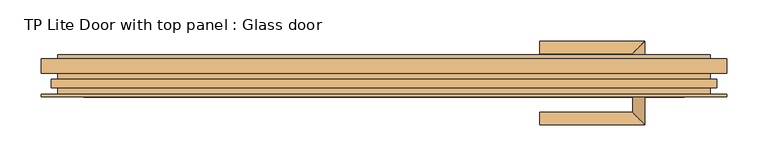
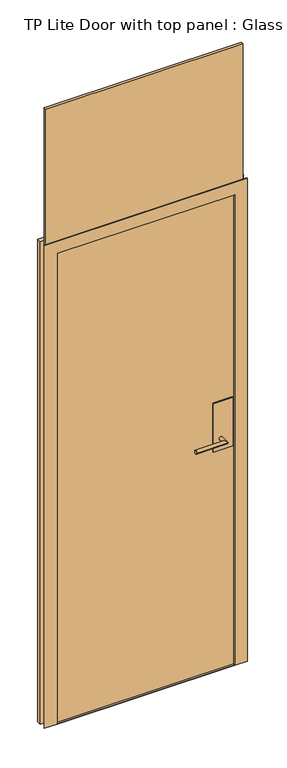
"""IFC4 building model written with IfcOpenShell, lengths in millimetres: door geometry, TP Lite Door with top panel : Glass door."""

from ifc_helpers import new_model, si_unit, frame, origin, origin_with_axes, place, context, project, spatial, polyline, circle_curve, ellipse_curve, outline, extrude, faceted_brep, source, transform, mapped, element, save
from ifc_brep_helpers import plane_surface, cylinder_surface, advanced_brep


def tp_lite_door_with_top_panel_glass_door_5b49f2d1(model_context):
    return source(origin(), model_context, "Body", "SolidModel", [
        advanced_brep(
        [(317.0000004, -12.0, 1000.0), (302.0000004, -12.0, 1000.0), (302.0000004, -34.5, 1000.0), (317.0000004, -49.5, 1000.0), (189.5000004, -49.5, 1000.0), (189.5000004, -34.5, 1000.0)],
        [
            (0, 1, circle_curve(frame((309.5000004, -12.0, 1000.0), z_axis=(0.0, 1.0, 0.0), x_axis=(-1.0, 0.0, 0.0)), 7.5)),
            (1, 0, circle_curve(frame((309.5000004, -12.0, 1000.0), z_axis=(0.0, 1.0, 0.0), x_axis=(-1.0, 0.0, 0.0)), 7.5)),
            (1, 2),
            (2, 3, ellipse_curve(frame((309.5000004, -42.0, 1000.0), z_axis=(0.7071067811865475, 0.7071067811865475, 0.0), x_axis=(-0.7071067811865474, 0.7071067811865476, 0.0)), 10.6066017, 7.5)),
            (3, 0),
            (3, 2, ellipse_curve(frame((309.5000004, -42.0, 1000.0), z_axis=(0.7071067811865475, 0.7071067811865475, 0.0), x_axis=(-0.7071067811865474, 0.7071067811865476, 0.0)), 10.6066017, 7.5)),
            (4, 5, circle_curve(frame((189.5000004, -42.0, 1000.0), z_axis=(-1.0, 0.0, 0.0), x_axis=(0.0, 1.0, 0.0)), 7.5)),
            (5, 4, circle_curve(frame((189.5000004, -42.0, 1000.0), z_axis=(-1.0, 0.0, 0.0), x_axis=(0.0, 1.0, 0.0)), 7.5)),
            (2, 5),
            (4, 3),
        ],
        [
            plane_surface(frame((309.5000004, -12.0, 1000.0), z_axis=(0.0, 1.0, 0.0), x_axis=(0.0, 0.0, 1.0))),
            cylinder_surface(frame((309.5000004, -12.0, 1000.0), z_axis=(0.0, 1.0, 0.0), x_axis=(-1.0, 0.0, 0.0)), 7.5),
            plane_surface(frame((189.5000004, -42.0, 1000.0), z_axis=(-1.0, 0.0, 0.0), x_axis=(0.0, 0.0, 1.0))),
            cylinder_surface(frame((309.5000004, -42.0, 1000.0), z_axis=(1.0, 0.0, 0.0), x_axis=(0.0, 1.0, 0.0)), 7.5),
        ],
        [
            (0, [[1, 2]]),
            (1, [[3, 4, 5, -2]]),
            (1, [[-5, 6, -3, -1]]),
            (2, [[7, 8]]),
            (3, [[9, -7, 10, -4]]),
            (3, [[-10, -8, -9, -6]]),
        ],
    ),
        advanced_brep(
        [(302.0000004, 14.0, 1000.0), (317.0000004, 14.0, 1000.0), (317.0000004, 51.5, 1000.0), (302.0000004, 36.5, 1000.0), (189.5000004, 36.5, 1000.0), (189.5000004, 51.5, 1000.0)],
        [
            (0, 1, circle_curve(frame((309.5000004, 14.0, 1000.0), z_axis=(0.0, -1.0, 0.0), x_axis=(1.0, 0.0, 0.0)), 7.5)),
            (1, 0, circle_curve(frame((309.5000004, 14.0, 1000.0), z_axis=(0.0, -1.0, 0.0), x_axis=(1.0, 0.0, 0.0)), 7.5)),
            (1, 2),
            (2, 3, ellipse_curve(frame((309.5000004, 44.0, 1000.0), z_axis=(0.7071067811865475, -0.7071067811865475, 0.0), x_axis=(-0.7071067811865474, -0.7071067811865476, 0.0)), 10.6066017, 7.5)),
            (3, 0),
            (3, 2, ellipse_curve(frame((309.5000004, 44.0, 1000.0), z_axis=(0.7071067811865475, -0.7071067811865475, 0.0), x_axis=(-0.7071067811865474, -0.7071067811865476, 0.0)), 10.6066017, 7.5)),
            (4, 5, circle_curve(frame((189.5000004, 44.0, 1000.0), z_axis=(-1.0, 0.0, 0.0), x_axis=(0.0, 1.0, 0.0)), 7.5)),
            (5, 4, circle_curve(frame((189.5000004, 44.0, 1000.0), z_axis=(-1.0, 0.0, 0.0), x_axis=(0.0, 1.0, 0.0)), 7.5)),
            (2, 5),
            (4, 3),
        ],
        [
            plane_surface(frame((309.5000004, 14.0, 1000.0), z_axis=(0.0, -1.0, 0.0), x_axis=(0.0, 0.0, 1.0))),
            cylinder_surface(frame((309.5000004, 14.0, 1000.0), z_axis=(0.0, -1.0, 0.0), x_axis=(1.0, 0.0, 0.0)), 7.5),
            plane_surface(frame((189.5000004, 44.0, 1000.0), z_axis=(-1.0, 0.0, 0.0), x_axis=(0.0, 0.0, 1.0))),
            cylinder_surface(frame((309.5000004, 44.0, 1000.0), z_axis=(1.0, 0.0, 0.0), x_axis=(0.0, 1.0, 0.0)), 7.5),
        ],
        [
            (0, [[1, 2]]),
            (1, [[3, 4, 5, -2]]),
            (1, [[-5, 6, -3, -1]]),
            (2, [[7, 8]]),
            (3, [[9, -7, 10, -4]]),
            (3, [[-10, -8, -9, -6]]),
        ],
    ),
        extrude(outline(polyline([(359.5000004, -12.0), (279.5000004, -12.0), (279.5000004, 14.0), (359.5000004, 14.0), (359.5000004, -12.0)])), frame((0.0, 0.0, 950.0), z_axis=(0.0, 0.0, 1.0), x_axis=(1.0, 0.0, 0.0)), (0.0, 0.0, 1.0), 210.0),
        faceted_brep([(-364.5000004, -16.0, 0.0), (-416.5000004, -16.0, 0.0), (-416.5000004, -13.0, 0.0), (-396.5000004, -13.0, 0.0), (-396.5000004, 12.5, 0.0), (-416.5000004, 12.5, 0.0), (-416.5000004, 30.0, 0.0), (-396.5000004, 30.0, 0.0), (-396.5000004, 35.0, 0.0), (-376.5000004, 35.0, 0.0), (-376.5000004, -9.0, 0.0), (-364.5000004, -9.0, 0.0), (-364.5000004, -9.0, 2038.0), (-364.5000004, -16.0, 2038.0), (-396.5000004, -13.0, 2070.0), (-396.5000004, 12.5, 2070.0), (-396.5000004, 30.0, 2070.0), (-396.5000004, 35.0, 2070.0), (-376.5000004, 35.0, 2050.0), (-376.5000004, -9.0, 2050.0), (364.5000004, -16.0, 0.0), (364.5000004, -9.0, 0.0), (376.5000004, -9.0, 0.0), (376.5000004, 35.0, 0.0), (396.5000004, 35.0, 0.0), (396.5000004, 30.0, 0.0), (416.5000004, 30.0, 0.0), (416.5000004, 12.5, 0.0), (396.5000004, 12.5, 0.0), (396.5000004, -13.0, 0.0), (416.5000004, -13.0, 0.0), (416.5000004, -16.0, 0.0), (364.5000004, -16.0, 2038.0), (364.5000004, -9.0, 2038.0), (376.5000004, -9.0, 2050.0), (376.5000004, 35.0, 2050.0), (396.5000004, 35.0, 2070.0), (396.5000004, 30.0, 2070.0), (-416.5000004, 30.0, 2090.0), (416.5000004, 30.0, 2090.0), (416.5000004, 12.5, 2090.0), (-416.5000004, 12.5, 2090.0), (396.5000004, 12.5, 2070.0), (396.5000004, -13.0, 2070.0), (-416.5000004, -13.0, 2090.0), (416.5000004, -13.0, 2090.0), (416.5000004, -16.0, 2090.0), (-416.5000004, -16.0, 2090.0)], [[[0, 1, 2, 3, 4, 5, 6, 7, 8, 9, 10, 11]], [[12, 13, 0, 11]], [[14, 15, 4, 3]], [[16, 17, 8, 7]], [[18, 19, 10, 9]], [[20, 21, 22, 23, 24, 25, 26, 27, 28, 29, 30, 31]], [[21, 20, 32, 33]], [[22, 21, 33, 12, 11, 10, 19, 34]], [[23, 22, 34, 35]], [[24, 23, 35, 18, 9, 8, 17, 36]], [[25, 24, 36, 37]], [[26, 25, 37, 16, 7, 6, 38, 39]], [[27, 26, 39, 40]], [[28, 27, 40, 41, 5, 4, 15, 42]], [[29, 28, 42, 43]], [[30, 29, 43, 14, 3, 2, 44, 45]], [[31, 30, 45, 46]], [[20, 31, 46, 47, 1, 0, 13, 32]], [[47, 44, 2, 1]], [[41, 38, 6, 5]], [[33, 32, 13, 12]], [[35, 34, 19, 18]], [[37, 36, 17, 16]], [[40, 39, 38, 41]], [[43, 42, 15, 14]], [[46, 45, 44, 47]]]),
        extrude(outline(polyline([(-369.5000004, -8.0), (-369.5000004, 12.0), (369.5000004, 12.0), (369.5000004, -8.0), (-369.5000004, -8.0)])), origin_with_axes(), (0.0, 0.0, 1.0), 2050.0),
        extrude(outline(polyline([(-404.5000004, -5.0), (-404.5000004, 5.0), (404.5000004, 5.0), (404.5000004, -5.0), (-404.5000004, -5.0)])), frame((0.0, 0.0, 2078.0), z_axis=(0.0, 0.0, 1.0), x_axis=(1.0, 0.0, 0.0)), (0.0, 0.0, 1.0), 592.0000007),
        extrude(outline(polyline([(376.5000004, 35.0), (376.5000004, -9.0), (364.5000004, -9.0), (364.5000004, -16.0), (-364.5000004, -16.0), (-364.5000004, -9.0), (-376.5000004, -9.0), (-376.5000004, 35.0), (376.5000004, 35.0)])), origin_with_axes(), (0.0, 0.0, 1.0), 2.0),
    ])


if __name__ == "__main__":
    model = new_model("IFC4")
    model_context = context("Model", 3, world=origin())
    ifc_project = project(units=[si_unit("LENGTHUNIT", "METRE", prefix="MILLI")], contexts=[model_context])
    site = spatial("IfcSite", under=ifc_project)
    building = spatial("IfcBuilding", under=site)
    placement = place(None, origin())
    tp_lite_door_with_top_panel_glass_door_shape = tp_lite_door_with_top_panel_glass_door_5b49f2d1(model_context)
    element("IfcDoor", 1, ObjectType="TP Lite Door with top panel : Glass door", at=placement, inside=building, context=model_context, shape_type="MappedRepresentation", body=[
        mapped(tp_lite_door_with_top_panel_glass_door_shape, transform((0.0, 0.0, 0.0), x_axis=(1.0, 0.0, 0.0), y_axis=(0.0, 1.0, 0.0), z_axis=(0.0, 0.0, 1.0))),
    ])
    save(model, "model.ifc")
